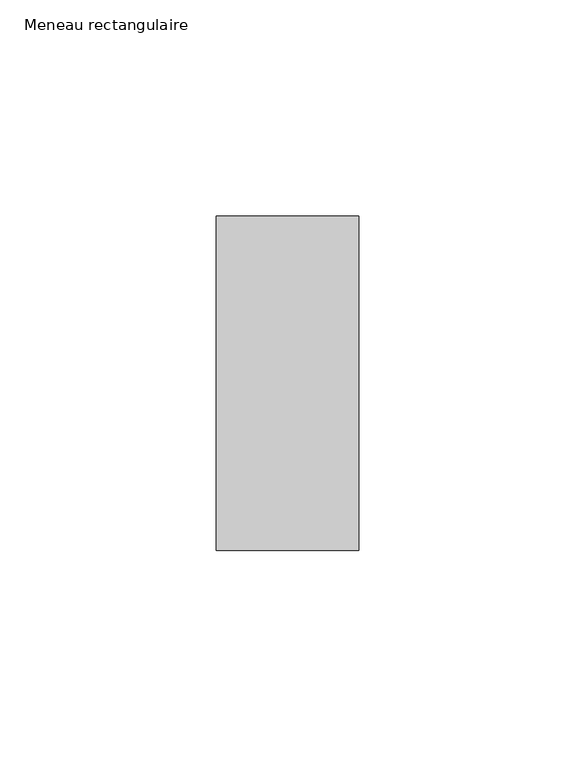
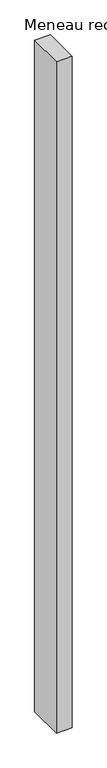
"""IFC4 building model written with IfcOpenShell, lengths in millimetres: member geometry, Meneau rectangulaire."""

from ifc_helpers import new_model, si_unit, frame, origin, place, context, project, spatial, polyline, outline, extrude, source, transform, mapped, element, save


def meneau_rectangulaire_c71556e6(model_context):
    return source(origin(), model_context, "Body", "SweptSolid", [
        extrude(outline(polyline([(0.0, 38.75), (0.0, -38.75), (-33.0, -38.75), (-33.0, 38.75), (0.0, 38.75)])), frame((0.0, 0.0, -1468.256074), z_axis=(0.0, 0.0, 1.0), x_axis=(1.0, 0.0, 0.0)), (0.0, 0.0, 1.0), 1468.256074),
    ])


if __name__ == "__main__":
    model = new_model("IFC4")
    model_context = context("Model", 3, world=origin())
    ifc_project = project(units=[si_unit("LENGTHUNIT", "METRE", prefix="MILLI")], contexts=[model_context])
    site = spatial("IfcSite", under=ifc_project)
    building = spatial("IfcBuilding", under=site)
    placement = place(None, origin())
    meneau_rectangulaire_shape = meneau_rectangulaire_c71556e6(model_context)
    element("IfcMember", 1, ObjectType="Meneau rectangulaire", at=placement, inside=building, context=model_context, shape_type="MappedRepresentation", body=[
        mapped(meneau_rectangulaire_shape, transform((0.0, 0.0, 0.0), x_axis=(1.0, 0.0, 0.0), y_axis=(0.0, 1.0, 0.0), z_axis=(0.0, 0.0, 1.0))),
    ])
    save(model, "model.ifc")
